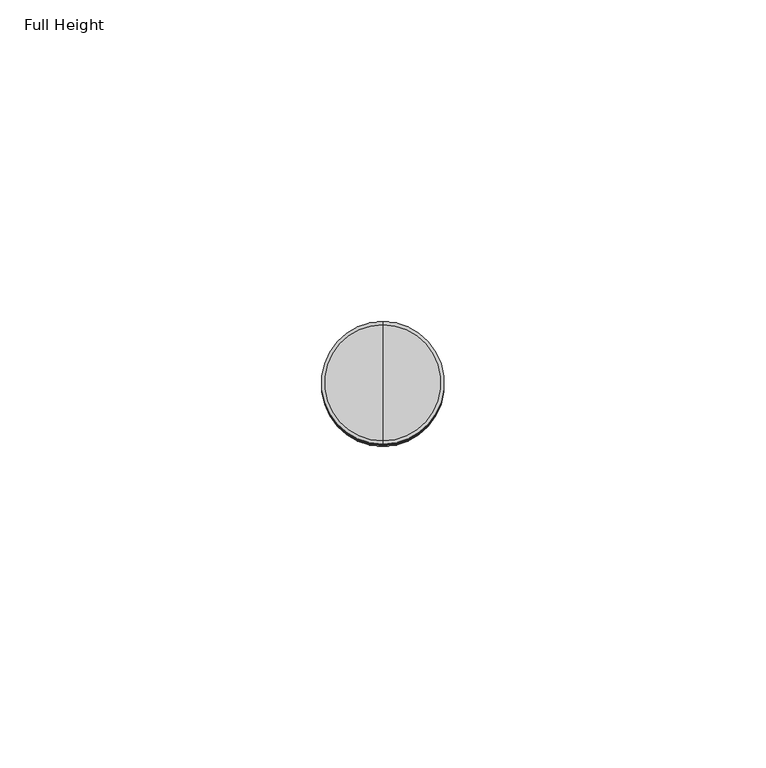
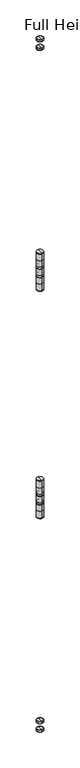
"""IFC4 building model written with IfcOpenShell, lengths in millimetres: plate geometry, Full Height."""

from ifc_helpers import new_model, si_unit, point, frame, origin, place, context, project, spatial, circle_curve, ellipse_curve, trimmed, source, transform, mapped, element, save
from ifc_brep_helpers import plane_surface, cylinder_surface, revolved_surface, advanced_brep


def full_height_8597fcad(model_context):
    return source(origin(), model_context, "Body", "AdvancedBrep", [
        advanced_brep(
        [(-466.3662186, -40.4876, 1784.7733333), (-466.3662186, -50.0126, 1784.7733333), (-466.3662186, -30.9626, 1784.7733333), (-466.3662186, -30.9626, 1805.0933333), (-466.3662186, -50.0126, 1805.0933333), (-466.3662186, -40.4876, 1805.0933333)],
        [
            (0, 1),
            (1, 2, circle_curve(frame((-466.3662186, -40.4876, 1784.7733333), z_axis=(0.0, 0.0, -1.0), x_axis=(0.0, -1.0, 0.0)), 9.525)),
            (2, 0),
            (2, 1, circle_curve(frame((-466.3662186, -40.4876, 1784.7733333), z_axis=(0.0, 0.0, -1.0), x_axis=(0.0, -1.0, 0.0)), 9.525)),
            (3, 4, circle_curve(frame((-466.3662186, -40.4876, 1805.0933333), z_axis=(0.0, 0.0, 1.0), x_axis=(0.0, -1.0, 0.0)), 9.525)),
            (4, 5),
            (5, 3),
            (4, 3, circle_curve(frame((-466.3662186, -40.4876, 1805.0933333), z_axis=(0.0, 0.0, 1.0), x_axis=(0.0, -1.0, 0.0)), 9.525)),
            (1, 4),
            (3, 2),
        ],
        [
            plane_surface(frame((-466.3662186, -40.4876, 1784.7733333), z_axis=(0.0, 0.0, -1.0), x_axis=(0.0, -1.0, 0.0))),
            plane_surface(frame((-466.3662186, -40.4876, 1805.0933333), z_axis=(0.0, 0.0, 1.0), x_axis=(0.0, -1.0, 0.0))),
            cylinder_surface(frame((-466.3662186, -40.4876, 1627.2933333), z_axis=(0.0, 0.0, -1.0), x_axis=(0.0, -1.0, 0.0)), 9.525),
        ],
        [
            (0, [[1, 2, 3]]),
            (0, [[-3, 4, -1]]),
            (1, [[5, 6, 7]]),
            (1, [[8, -7, -6]]),
            (2, [[-2, 9, -5, 10]]),
            (2, [[-4, -10, -8, -9]]),
        ],
    ),
        advanced_brep(
        [(-466.3662186, -30.9626, 1758.6113333), (-466.3662186, -50.0126, 1758.6113333), (-466.3662186, -50.0126, 1763.9453333), (-466.3662186, -30.9626, 1763.9453333), (-466.3662186, -40.4876, 1758.1033333), (-466.3662186, -49.5046, 1758.1033333), (-466.3662186, -31.4706, 1758.1033333), (-466.3662186, -31.4706, 1764.4533333), (-466.3662186, -49.5046, 1764.4533333), (-466.3662186, -40.4876, 1764.4533333)],
        [
            (0, 1, circle_curve(frame((-466.3662186, -40.4876, 1758.6113333), z_axis=(0.0, 0.0, 1.0), x_axis=(0.0, -1.0, 0.0)), 9.525)),
            (1, 2),
            (2, 3, circle_curve(frame((-466.3662186, -40.4876, 1763.9453333), z_axis=(0.0, 0.0, -1.0), x_axis=(0.0, -1.0, 0.0)), 9.525)),
            (3, 0),
            (1, 0, circle_curve(frame((-466.3662186, -40.4876, 1758.6113333), z_axis=(0.0, 0.0, 1.0), x_axis=(0.0, -1.0, 0.0)), 9.525)),
            (3, 2, circle_curve(frame((-466.3662186, -40.4876, 1763.9453333), z_axis=(0.0, 0.0, -1.0), x_axis=(0.0, -1.0, 0.0)), 9.525)),
            (4, 5),
            (5, 6, circle_curve(frame((-466.3662186, -40.4876, 1758.1033333), z_axis=(0.0, 0.0, -1.0), x_axis=(0.0, -1.0, 0.0)), 9.017)),
            (6, 4),
            (6, 5, circle_curve(frame((-466.3662186, -40.4876, 1758.1033333), z_axis=(0.0, 0.0, -1.0), x_axis=(0.0, -1.0, 0.0)), 9.017)),
            (7, 8, circle_curve(frame((-466.3662186, -40.4876, 1764.4533333), z_axis=(0.0, 0.0, 1.0), x_axis=(0.0, -1.0, 0.0)), 9.017)),
            (8, 9),
            (9, 7),
            (8, 7, circle_curve(frame((-466.3662186, -40.4876, 1764.4533333), z_axis=(0.0, 0.0, 1.0), x_axis=(0.0, -1.0, 0.0)), 9.017)),
            (2, 8, circle_curve(frame((-466.3662186, -49.5046, 1763.9453333), z_axis=(-1.0, 0.0, 0.0), x_axis=(0.0, 1.0, 0.0)), 0.508)),
            (7, 3, circle_curve(frame((-466.3662186, -31.4706, 1763.9453333), z_axis=(-1.0, 0.0, 0.0), x_axis=(0.0, -1.0, 0.0)), 0.508)),
            (5, 1, circle_curve(frame((-466.3662186, -49.5046, 1758.6113333), z_axis=(-1.0, 0.0, 0.0), x_axis=(0.0, 1.0, 0.0)), 0.508)),
            (0, 6, circle_curve(frame((-466.3662186, -31.4706, 1758.6113333), z_axis=(-1.0, 0.0, 0.0), x_axis=(0.0, -1.0, 0.0)), 0.508)),
        ],
        [
            cylinder_surface(frame((-466.3662186, -40.4876, 1627.2933333), z_axis=(0.0, 0.0, -1.0), x_axis=(0.0, -1.0, 0.0)), 9.525),
            plane_surface(frame((-466.3662186, -40.4876, 1758.1033333), z_axis=(0.0, 0.0, -1.0), x_axis=(0.0, -1.0, 0.0))),
            plane_surface(frame((-466.3662186, -40.4876, 1764.4533333), z_axis=(0.0, 0.0, 1.0), x_axis=(0.0, -1.0, 0.0))),
            revolved_surface(trimmed(ellipse_curve(frame((-466.3662186, -49.5046, 1763.9453333), z_axis=(1.0, 0.0, 0.0), x_axis=(0.0, 1.0, 0.0)), 0.508, 0.508), [point((-466.3662186, -49.5046, 1764.4533333))], [point((-466.3662186, -50.0126, 1763.9453333))], True, "CARTESIAN"), (-466.3662186, -40.4876, 1627.2933333), (0.0, 0.0, -1.0)),
            revolved_surface(trimmed(ellipse_curve(frame((-466.3662186, -49.5046, 1758.6113333), z_axis=(1.0, 0.0, 0.0), x_axis=(0.0, 1.0, 0.0)), 0.508, 0.508), [point((-466.3662186, -50.0126, 1758.6113333))], [point((-466.3662186, -49.5046, 1758.1033333))], True, "CARTESIAN"), (-466.3662186, -40.4876, 1627.2933333), (0.0, 0.0, -1.0)),
        ],
        [
            (0, [[1, 2, 3, 4]]),
            (0, [[5, -4, 6, -2]]),
            (1, [[7, 8, 9]]),
            (1, [[-9, 10, -7]]),
            (2, [[11, 12, 13]]),
            (2, [[14, -13, -12]]),
            (3, [[-3, 15, -11, 16]]),
            (3, [[-6, -16, -14, -15]]),
            (4, [[-8, 17, -1, 18]]),
            (4, [[-10, -18, -5, -17]]),
        ],
    ),
        advanced_brep(
        [(-466.3662186, -30.9626, 1731.9413333), (-466.3662186, -50.0126, 1731.9413333), (-466.3662186, -50.0126, 1737.2753333), (-466.3662186, -30.9626, 1737.2753333), (-466.3662186, -40.4876, 1731.4333333), (-466.3662186, -49.5046, 1731.4333333), (-466.3662186, -31.4706, 1731.4333333), (-466.3662186, -31.4706, 1737.7833333), (-466.3662186, -49.5046, 1737.7833333), (-466.3662186, -40.4876, 1737.7833333)],
        [
            (0, 1, circle_curve(frame((-466.3662186, -40.4876, 1731.9413333), z_axis=(0.0, 0.0, 1.0), x_axis=(0.0, -1.0, 0.0)), 9.525)),
            (1, 2),
            (2, 3, circle_curve(frame((-466.3662186, -40.4876, 1737.2753333), z_axis=(0.0, 0.0, -1.0), x_axis=(0.0, -1.0, 0.0)), 9.525)),
            (3, 0),
            (1, 0, circle_curve(frame((-466.3662186, -40.4876, 1731.9413333), z_axis=(0.0, 0.0, 1.0), x_axis=(0.0, -1.0, 0.0)), 9.525)),
            (3, 2, circle_curve(frame((-466.3662186, -40.4876, 1737.2753333), z_axis=(0.0, 0.0, -1.0), x_axis=(0.0, -1.0, 0.0)), 9.525)),
            (4, 5),
            (5, 6, circle_curve(frame((-466.3662186, -40.4876, 1731.4333333), z_axis=(0.0, 0.0, -1.0), x_axis=(0.0, -1.0, 0.0)), 9.017)),
            (6, 4),
            (6, 5, circle_curve(frame((-466.3662186, -40.4876, 1731.4333333), z_axis=(0.0, 0.0, -1.0), x_axis=(0.0, -1.0, 0.0)), 9.017)),
            (7, 8, circle_curve(frame((-466.3662186, -40.4876, 1737.7833333), z_axis=(0.0, 0.0, 1.0), x_axis=(0.0, -1.0, 0.0)), 9.017)),
            (8, 9),
            (9, 7),
            (8, 7, circle_curve(frame((-466.3662186, -40.4876, 1737.7833333), z_axis=(0.0, 0.0, 1.0), x_axis=(0.0, -1.0, 0.0)), 9.017)),
            (2, 8, circle_curve(frame((-466.3662186, -49.5046, 1737.2753333), z_axis=(-1.0, 0.0, 0.0), x_axis=(0.0, 1.0, 0.0)), 0.508)),
            (7, 3, circle_curve(frame((-466.3662186, -31.4706, 1737.2753333), z_axis=(-1.0, 0.0, 0.0), x_axis=(0.0, -1.0, 0.0)), 0.508)),
            (5, 1, circle_curve(frame((-466.3662186, -49.5046, 1731.9413333), z_axis=(-1.0, 0.0, 0.0), x_axis=(0.0, 1.0, 0.0)), 0.508)),
            (0, 6, circle_curve(frame((-466.3662186, -31.4706, 1731.9413333), z_axis=(-1.0, 0.0, 0.0), x_axis=(0.0, -1.0, 0.0)), 0.508)),
        ],
        [
            cylinder_surface(frame((-466.3662186, -40.4876, 1627.2933333), z_axis=(0.0, 0.0, -1.0), x_axis=(0.0, -1.0, 0.0)), 9.525),
            plane_surface(frame((-466.3662186, -40.4876, 1731.4333333), z_axis=(0.0, 0.0, -1.0), x_axis=(0.0, -1.0, 0.0))),
            plane_surface(frame((-466.3662186, -40.4876, 1737.7833333), z_axis=(0.0, 0.0, 1.0), x_axis=(0.0, -1.0, 0.0))),
            revolved_surface(trimmed(ellipse_curve(frame((-466.3662186, -49.5046, 1737.2753333), z_axis=(1.0, 0.0, 0.0), x_axis=(0.0, 1.0, 0.0)), 0.508, 0.508), [point((-466.3662186, -49.5046, 1737.7833333))], [point((-466.3662186, -50.0126, 1737.2753333))], True, "CARTESIAN"), (-466.3662186, -40.4876, 1627.2933333), (0.0, 0.0, -1.0)),
            revolved_surface(trimmed(ellipse_curve(frame((-466.3662186, -49.5046, 1731.9413333), z_axis=(1.0, 0.0, 0.0), x_axis=(0.0, 1.0, 0.0)), 0.508, 0.508), [point((-466.3662186, -50.0126, 1731.9413333))], [point((-466.3662186, -49.5046, 1731.4333333))], True, "CARTESIAN"), (-466.3662186, -40.4876, 1627.2933333), (0.0, 0.0, -1.0)),
        ],
        [
            (0, [[1, 2, 3, 4]]),
            (0, [[5, -4, 6, -2]]),
            (1, [[7, 8, 9]]),
            (1, [[-9, 10, -7]]),
            (2, [[11, 12, 13]]),
            (2, [[14, -13, -12]]),
            (3, [[-3, 15, -11, 16]]),
            (3, [[-6, -16, -14, -15]]),
            (4, [[-8, 17, -1, 18]]),
            (4, [[-10, -18, -5, -17]]),
        ],
    ),
        advanced_brep(
        [(-466.3662186, -30.9626, 1690.7933333), (-466.3662186, -50.0126, 1690.7933333), (-466.3662186, -50.0126, 1711.1133333), (-466.3662186, -30.9626, 1711.1133333), (-466.3662186, -40.4876, 1690.7933333), (-466.3662186, -40.4876, 1711.1133333)],
        [
            (0, 1, circle_curve(frame((-466.3662186, -40.4876, 1690.7933333), z_axis=(0.0, 0.0, 1.0), x_axis=(0.0, -1.0, 0.0)), 9.525)),
            (1, 2),
            (2, 3, circle_curve(frame((-466.3662186, -40.4876, 1711.1133333), z_axis=(0.0, 0.0, -1.0), x_axis=(0.0, -1.0, 0.0)), 9.525)),
            (3, 0),
            (1, 0, circle_curve(frame((-466.3662186, -40.4876, 1690.7933333), z_axis=(0.0, 0.0, 1.0), x_axis=(0.0, -1.0, 0.0)), 9.525)),
            (3, 2, circle_curve(frame((-466.3662186, -40.4876, 1711.1133333), z_axis=(0.0, 0.0, -1.0), x_axis=(0.0, -1.0, 0.0)), 9.525)),
            (4, 1),
            (0, 4),
            (2, 5),
            (5, 3),
        ],
        [
            cylinder_surface(frame((-466.3662186, -40.4876, 1627.2933333), z_axis=(0.0, 0.0, -1.0), x_axis=(0.0, -1.0, 0.0)), 9.525),
            plane_surface(frame((-466.3662186, -40.4876, 1690.7933333), z_axis=(0.0, 0.0, -1.0), x_axis=(0.0, -1.0, 0.0))),
            plane_surface(frame((-466.3662186, -40.4876, 1711.1133333), z_axis=(0.0, 0.0, 1.0), x_axis=(0.0, -1.0, 0.0))),
        ],
        [
            (0, [[1, 2, 3, 4]]),
            (0, [[5, -4, 6, -2]]),
            (1, [[7, -1, 8]]),
            (1, [[-8, -5, -7]]),
            (2, [[-3, 9, 10]]),
            (2, [[-6, -10, -9]]),
        ],
    ),
        advanced_brep(
        [(-466.3662186, -30.9626, 1072.7266667), (-466.3662186, -50.0126, 1072.7266667), (-466.3662186, -50.0126, 1093.0466667), (-466.3662186, -30.9626, 1093.0466667), (-466.3662186, -40.4876, 1072.7266667), (-466.3662186, -40.4876, 1093.0466667)],
        [
            (0, 1, circle_curve(frame((-466.3662186, -40.4876, 1072.7266667), z_axis=(0.0, 0.0, 1.0), x_axis=(0.0, -1.0, 0.0)), 9.525)),
            (1, 2),
            (2, 3, circle_curve(frame((-466.3662186, -40.4876, 1093.0466667), z_axis=(0.0, 0.0, -1.0), x_axis=(0.0, -1.0, 0.0)), 9.525)),
            (3, 0),
            (1, 0, circle_curve(frame((-466.3662186, -40.4876, 1072.7266667), z_axis=(0.0, 0.0, 1.0), x_axis=(0.0, -1.0, 0.0)), 9.525)),
            (3, 2, circle_curve(frame((-466.3662186, -40.4876, 1093.0466667), z_axis=(0.0, 0.0, -1.0), x_axis=(0.0, -1.0, 0.0)), 9.525)),
            (4, 1),
            (0, 4),
            (2, 5),
            (5, 3),
        ],
        [
            cylinder_surface(frame((-466.3662186, -40.4876, 1627.2933333), z_axis=(0.0, 0.0, -1.0), x_axis=(0.0, -1.0, 0.0)), 9.525),
            plane_surface(frame((-466.3662186, -40.4876, 1072.7266667), z_axis=(0.0, 0.0, -1.0), x_axis=(0.0, -1.0, 0.0))),
            plane_surface(frame((-466.3662186, -40.4876, 1093.0466667), z_axis=(0.0, 0.0, 1.0), x_axis=(0.0, -1.0, 0.0))),
        ],
        [
            (0, [[1, 2, 3, 4]]),
            (0, [[5, -4, 6, -2]]),
            (1, [[7, -1, 8]]),
            (1, [[-8, -5, -7]]),
            (2, [[-3, 9, 10]]),
            (2, [[-6, -10, -9]]),
        ],
    ),
        advanced_brep(
        [(-466.3662186, -30.9626, 1046.5646667), (-466.3662186, -50.0126, 1046.5646667), (-466.3662186, -50.0126, 1051.8986667), (-466.3662186, -30.9626, 1051.8986667), (-466.3662186, -40.4876, 1046.0566667), (-466.3662186, -49.5046, 1046.0566667), (-466.3662186, -31.4706, 1046.0566667), (-466.3662186, -31.4706, 1052.4066667), (-466.3662186, -49.5046, 1052.4066667), (-466.3662186, -40.4876, 1052.4066667)],
        [
            (0, 1, circle_curve(frame((-466.3662186, -40.4876, 1046.5646667), z_axis=(0.0, 0.0, 1.0), x_axis=(0.0, -1.0, 0.0)), 9.525)),
            (1, 2),
            (2, 3, circle_curve(frame((-466.3662186, -40.4876, 1051.8986667), z_axis=(0.0, 0.0, -1.0), x_axis=(0.0, -1.0, 0.0)), 9.525)),
            (3, 0),
            (1, 0, circle_curve(frame((-466.3662186, -40.4876, 1046.5646667), z_axis=(0.0, 0.0, 1.0), x_axis=(0.0, -1.0, 0.0)), 9.525)),
            (3, 2, circle_curve(frame((-466.3662186, -40.4876, 1051.8986667), z_axis=(0.0, 0.0, -1.0), x_axis=(0.0, -1.0, 0.0)), 9.525)),
            (4, 5),
            (5, 6, circle_curve(frame((-466.3662186, -40.4876, 1046.0566667), z_axis=(0.0, 0.0, -1.0), x_axis=(0.0, -1.0, 0.0)), 9.017)),
            (6, 4),
            (6, 5, circle_curve(frame((-466.3662186, -40.4876, 1046.0566667), z_axis=(0.0, 0.0, -1.0), x_axis=(0.0, -1.0, 0.0)), 9.017)),
            (7, 8, circle_curve(frame((-466.3662186, -40.4876, 1052.4066667), z_axis=(0.0, 0.0, 1.0), x_axis=(0.0, -1.0, 0.0)), 9.017)),
            (8, 9),
            (9, 7),
            (8, 7, circle_curve(frame((-466.3662186, -40.4876, 1052.4066667), z_axis=(0.0, 0.0, 1.0), x_axis=(0.0, -1.0, 0.0)), 9.017)),
            (2, 8, circle_curve(frame((-466.3662186, -49.5046, 1051.8986667), z_axis=(-1.0, 0.0, 0.0), x_axis=(0.0, 1.0, 0.0)), 0.508)),
            (7, 3, circle_curve(frame((-466.3662186, -31.4706, 1051.8986667), z_axis=(-1.0, 0.0, 0.0), x_axis=(0.0, -1.0, 0.0)), 0.508)),
            (5, 1, circle_curve(frame((-466.3662186, -49.5046, 1046.5646667), z_axis=(-1.0, 0.0, 0.0), x_axis=(0.0, 1.0, 0.0)), 0.508)),
            (0, 6, circle_curve(frame((-466.3662186, -31.4706, 1046.5646667), z_axis=(-1.0, 0.0, 0.0), x_axis=(0.0, -1.0, 0.0)), 0.508)),
        ],
        [
            cylinder_surface(frame((-466.3662186, -40.4876, 1627.2933333), z_axis=(0.0, 0.0, -1.0), x_axis=(0.0, -1.0, 0.0)), 9.525),
            plane_surface(frame((-466.3662186, -40.4876, 1046.0566667), z_axis=(0.0, 0.0, -1.0), x_axis=(0.0, -1.0, 0.0))),
            plane_surface(frame((-466.3662186, -40.4876, 1052.4066667), z_axis=(0.0, 0.0, 1.0), x_axis=(0.0, -1.0, 0.0))),
            revolved_surface(trimmed(ellipse_curve(frame((-466.3662186, -49.5046, 1051.8986667), z_axis=(1.0, 0.0, 0.0), x_axis=(0.0, 1.0, 0.0)), 0.508, 0.508), [point((-466.3662186, -49.5046, 1052.4066667))], [point((-466.3662186, -50.0126, 1051.8986667))], True, "CARTESIAN"), (-466.3662186, -40.4876, 1627.2933333), (0.0, 0.0, -1.0)),
            revolved_surface(trimmed(ellipse_curve(frame((-466.3662186, -49.5046, 1046.5646667), z_axis=(1.0, 0.0, 0.0), x_axis=(0.0, 1.0, 0.0)), 0.508, 0.508), [point((-466.3662186, -50.0126, 1046.5646667))], [point((-466.3662186, -49.5046, 1046.0566667))], True, "CARTESIAN"), (-466.3662186, -40.4876, 1627.2933333), (0.0, 0.0, -1.0)),
        ],
        [
            (0, [[1, 2, 3, 4]]),
            (0, [[5, -4, 6, -2]]),
            (1, [[7, 8, 9]]),
            (1, [[-9, 10, -7]]),
            (2, [[11, 12, 13]]),
            (2, [[14, -13, -12]]),
            (3, [[-3, 15, -11, 16]]),
            (3, [[-6, -16, -14, -15]]),
            (4, [[-8, 17, -1, 18]]),
            (4, [[-10, -18, -5, -17]]),
        ],
    ),
        advanced_brep(
        [(-466.3662186, -40.4876, 1019.3866667), (-466.3662186, -49.5046, 1019.3866667), (-466.3662186, -31.4706, 1019.3866667), (-466.3662186, -31.4706, 1025.7366667), (-466.3662186, -49.5046, 1025.7366667), (-466.3662186, -40.4876, 1025.7366667), (-466.3662186, -30.9626, 1019.8946667), (-466.3662186, -50.0126, 1019.8946667), (-466.3662186, -50.0126, 1025.2286667), (-466.3662186, -30.9626, 1025.2286667)],
        [
            (0, 1),
            (1, 2, circle_curve(frame((-466.3662186, -40.4876, 1019.3866667), z_axis=(0.0, 0.0, -1.0), x_axis=(0.0, -1.0, 0.0)), 9.017)),
            (2, 0),
            (2, 1, circle_curve(frame((-466.3662186, -40.4876, 1019.3866667), z_axis=(0.0, 0.0, -1.0), x_axis=(0.0, -1.0, 0.0)), 9.017)),
            (3, 4, circle_curve(frame((-466.3662186, -40.4876, 1025.7366667), z_axis=(0.0, 0.0, 1.0), x_axis=(0.0, -1.0, 0.0)), 9.017)),
            (4, 5),
            (5, 3),
            (4, 3, circle_curve(frame((-466.3662186, -40.4876, 1025.7366667), z_axis=(0.0, 0.0, 1.0), x_axis=(0.0, -1.0, 0.0)), 9.017)),
            (6, 7, circle_curve(frame((-466.3662186, -40.4876, 1019.8946667), z_axis=(0.0, 0.0, 1.0), x_axis=(0.0, -1.0, 0.0)), 9.525)),
            (7, 8),
            (8, 9, circle_curve(frame((-466.3662186, -40.4876, 1025.2286667), z_axis=(0.0, 0.0, -1.0), x_axis=(0.0, -1.0, 0.0)), 9.525)),
            (9, 6),
            (7, 6, circle_curve(frame((-466.3662186, -40.4876, 1019.8946667), z_axis=(0.0, 0.0, 1.0), x_axis=(0.0, -1.0, 0.0)), 9.525)),
            (9, 8, circle_curve(frame((-466.3662186, -40.4876, 1025.2286667), z_axis=(0.0, 0.0, -1.0), x_axis=(0.0, -1.0, 0.0)), 9.525)),
            (8, 4, circle_curve(frame((-466.3662186, -49.5046, 1025.2286667), z_axis=(-1.0, 0.0, 0.0), x_axis=(0.0, 1.0, 0.0)), 0.508)),
            (3, 9, circle_curve(frame((-466.3662186, -31.4706, 1025.2286667), z_axis=(-1.0, 0.0, 0.0), x_axis=(0.0, -1.0, 0.0)), 0.508)),
            (1, 7, circle_curve(frame((-466.3662186, -49.5046, 1019.8946667), z_axis=(-1.0, 0.0, 0.0), x_axis=(0.0, 1.0, 0.0)), 0.508)),
            (6, 2, circle_curve(frame((-466.3662186, -31.4706, 1019.8946667), z_axis=(-1.0, 0.0, 0.0), x_axis=(0.0, -1.0, 0.0)), 0.508)),
        ],
        [
            plane_surface(frame((-466.3662186, -40.4876, 1019.3866667), z_axis=(0.0, 0.0, -1.0), x_axis=(0.0, -1.0, 0.0))),
            plane_surface(frame((-466.3662186, -40.4876, 1025.7366667), z_axis=(0.0, 0.0, 1.0), x_axis=(0.0, -1.0, 0.0))),
            cylinder_surface(frame((-466.3662186, -40.4876, 1627.2933333), z_axis=(0.0, 0.0, -1.0), x_axis=(0.0, -1.0, 0.0)), 9.525),
            revolved_surface(trimmed(ellipse_curve(frame((-466.3662186, -49.5046, 1025.2286667), z_axis=(1.0, 0.0, 0.0), x_axis=(0.0, 1.0, 0.0)), 0.508, 0.508), [point((-466.3662186, -49.5046, 1025.7366667))], [point((-466.3662186, -50.0126, 1025.2286667))], True, "CARTESIAN"), (-466.3662186, -40.4876, 1627.2933333), (0.0, 0.0, -1.0)),
            revolved_surface(trimmed(ellipse_curve(frame((-466.3662186, -49.5046, 1019.8946667), z_axis=(1.0, 0.0, 0.0), x_axis=(0.0, 1.0, 0.0)), 0.508, 0.508), [point((-466.3662186, -50.0126, 1019.8946667))], [point((-466.3662186, -49.5046, 1019.3866667))], True, "CARTESIAN"), (-466.3662186, -40.4876, 1627.2933333), (0.0, 0.0, -1.0)),
        ],
        [
            (0, [[1, 2, 3]]),
            (0, [[-3, 4, -1]]),
            (1, [[5, 6, 7]]),
            (1, [[8, -7, -6]]),
            (2, [[9, 10, 11, 12]]),
            (2, [[13, -12, 14, -10]]),
            (3, [[-11, 15, -5, 16]]),
            (3, [[-14, -16, -8, -15]]),
            (4, [[-2, 17, -9, 18]]),
            (4, [[-4, -18, -13, -17]]),
        ],
    ),
        advanced_brep(
        [(-466.3662186, -30.9626, 978.7466667), (-466.3662186, -50.0126, 978.7466667), (-466.3662186, -50.0126, 999.0666667), (-466.3662186, -30.9626, 999.0666667), (-466.3662186, -40.4876, 978.7466667), (-466.3662186, -40.4876, 999.0666667)],
        [
            (0, 1, circle_curve(frame((-466.3662186, -40.4876, 978.7466667), z_axis=(0.0, 0.0, 1.0), x_axis=(0.0, -1.0, 0.0)), 9.525)),
            (1, 2),
            (2, 3, circle_curve(frame((-466.3662186, -40.4876, 999.0666667), z_axis=(0.0, 0.0, -1.0), x_axis=(0.0, -1.0, 0.0)), 9.525)),
            (3, 0),
            (1, 0, circle_curve(frame((-466.3662186, -40.4876, 978.7466667), z_axis=(0.0, 0.0, 1.0), x_axis=(0.0, -1.0, 0.0)), 9.525)),
            (3, 2, circle_curve(frame((-466.3662186, -40.4876, 999.0666667), z_axis=(0.0, 0.0, -1.0), x_axis=(0.0, -1.0, 0.0)), 9.525)),
            (4, 1),
            (0, 4),
            (2, 5),
            (5, 3),
        ],
        [
            cylinder_surface(frame((-466.3662186, -40.4876, 1627.2933333), z_axis=(0.0, 0.0, -1.0), x_axis=(0.0, -1.0, 0.0)), 9.525),
            plane_surface(frame((-466.3662186, -40.4876, 978.7466667), z_axis=(0.0, 0.0, -1.0), x_axis=(0.0, -1.0, 0.0))),
            plane_surface(frame((-466.3662186, -40.4876, 999.0666667), z_axis=(0.0, 0.0, 1.0), x_axis=(0.0, -1.0, 0.0))),
        ],
        [
            (0, [[1, 2, 3, 4]]),
            (0, [[5, -4, 6, -2]]),
            (1, [[7, -1, 8]]),
            (1, [[-8, -5, -7]]),
            (2, [[-3, 9, 10]]),
            (2, [[-6, -10, -9]]),
        ],
    ),
        advanced_brep(
        [(-466.3662186, -30.9626, 1093.0466667), (-466.3662186, -50.0126, 1093.0466667), (-466.3662186, -50.0126, 1095.0786667), (-466.3662186, -30.9626, 1095.0786667), (-466.3662186, -40.4876, 1093.0466667), (-466.3662186, -40.4876, 1095.0786667)],
        [
            (0, 1, circle_curve(frame((-466.3662186, -40.4876, 1093.0466667), z_axis=(0.0, 0.0, 1.0), x_axis=(0.0, -1.0, 0.0)), 9.525)),
            (1, 2),
            (2, 3, circle_curve(frame((-466.3662186, -40.4876, 1095.0786667), z_axis=(0.0, 0.0, -1.0), x_axis=(0.0, -1.0, 0.0)), 9.525)),
            (3, 0),
            (1, 0, circle_curve(frame((-466.3662186, -40.4876, 1093.0466667), z_axis=(0.0, 0.0, 1.0), x_axis=(0.0, -1.0, 0.0)), 9.525)),
            (3, 2, circle_curve(frame((-466.3662186, -40.4876, 1095.0786667), z_axis=(0.0, 0.0, -1.0), x_axis=(0.0, -1.0, 0.0)), 9.525)),
            (4, 1),
            (0, 4),
            (2, 5),
            (5, 3),
        ],
        [
            cylinder_surface(frame((-466.3662186, -40.4876, 1871.6413333), z_axis=(0.0, 0.0, -1.0), x_axis=(0.0, -1.0, 0.0)), 9.525),
            plane_surface(frame((-466.3662186, -40.4876, 1093.0466667), z_axis=(0.0, 0.0, -1.0), x_axis=(0.0, -1.0, 0.0))),
            plane_surface(frame((-466.3662186, -40.4876, 1095.0786667), z_axis=(0.0, 0.0, 1.0), x_axis=(0.0, -1.0, 0.0))),
        ],
        [
            (0, [[1, 2, 3, 4]]),
            (0, [[5, -4, 6, -2]]),
            (1, [[7, -1, 8]]),
            (1, [[-8, -5, -7]]),
            (2, [[-3, 9, 10]]),
            (2, [[-6, -10, -9]]),
        ],
    ),
        advanced_brep(
        [(-466.3662186, -30.9626, 1052.4066667), (-466.3662186, -50.0126, 1052.4066667), (-466.3662186, -50.0126, 1072.7266667), (-466.3662186, -30.9626, 1072.7266667), (-466.3662186, -40.4876, 1052.4066667), (-466.3662186, -40.4876, 1072.7266667)],
        [
            (0, 1, circle_curve(frame((-466.3662186, -40.4876, 1052.4066667), z_axis=(0.0, 0.0, 1.0), x_axis=(0.0, -1.0, 0.0)), 9.525)),
            (1, 2),
            (2, 3, circle_curve(frame((-466.3662186, -40.4876, 1072.7266667), z_axis=(0.0, 0.0, -1.0), x_axis=(0.0, -1.0, 0.0)), 9.525)),
            (3, 0),
            (1, 0, circle_curve(frame((-466.3662186, -40.4876, 1052.4066667), z_axis=(0.0, 0.0, 1.0), x_axis=(0.0, -1.0, 0.0)), 9.525)),
            (3, 2, circle_curve(frame((-466.3662186, -40.4876, 1072.7266667), z_axis=(0.0, 0.0, -1.0), x_axis=(0.0, -1.0, 0.0)), 9.525)),
            (4, 1),
            (0, 4),
            (2, 5),
            (5, 3),
        ],
        [
            cylinder_surface(frame((-466.3662186, -40.4876, 1871.6413333), z_axis=(0.0, 0.0, -1.0), x_axis=(0.0, -1.0, 0.0)), 9.525),
            plane_surface(frame((-466.3662186, -40.4876, 1052.4066667), z_axis=(0.0, 0.0, -1.0), x_axis=(0.0, -1.0, 0.0))),
            plane_surface(frame((-466.3662186, -40.4876, 1072.7266667), z_axis=(0.0, 0.0, 1.0), x_axis=(0.0, -1.0, 0.0))),
        ],
        [
            (0, [[1, 2, 3, 4]]),
            (0, [[5, -4, 6, -2]]),
            (1, [[7, -1, 8]]),
            (1, [[-8, -5, -7]]),
            (2, [[-3, 9, 10]]),
            (2, [[-6, -10, -9]]),
        ],
    ),
        advanced_brep(
        [(-466.3662186, -30.9626, 1025.7366667), (-466.3662186, -50.0126, 1025.7366667), (-466.3662186, -50.0126, 1046.0566667), (-466.3662186, -30.9626, 1046.0566667), (-466.3662186, -40.4876, 1025.7366667), (-466.3662186, -40.4876, 1046.0566667)],
        [
            (0, 1, circle_curve(frame((-466.3662186, -40.4876, 1025.7366667), z_axis=(0.0, 0.0, 1.0), x_axis=(0.0, -1.0, 0.0)), 9.525)),
            (1, 2),
            (2, 3, circle_curve(frame((-466.3662186, -40.4876, 1046.0566667), z_axis=(0.0, 0.0, -1.0), x_axis=(0.0, -1.0, 0.0)), 9.525)),
            (3, 0),
            (1, 0, circle_curve(frame((-466.3662186, -40.4876, 1025.7366667), z_axis=(0.0, 0.0, 1.0), x_axis=(0.0, -1.0, 0.0)), 9.525)),
            (3, 2, circle_curve(frame((-466.3662186, -40.4876, 1046.0566667), z_axis=(0.0, 0.0, -1.0), x_axis=(0.0, -1.0, 0.0)), 9.525)),
            (4, 1),
            (0, 4),
            (2, 5),
            (5, 3),
        ],
        [
            cylinder_surface(frame((-466.3662186, -40.4876, 1871.6413333), z_axis=(0.0, 0.0, -1.0), x_axis=(0.0, -1.0, 0.0)), 9.525),
            plane_surface(frame((-466.3662186, -40.4876, 1025.7366667), z_axis=(0.0, 0.0, -1.0), x_axis=(0.0, -1.0, 0.0))),
            plane_surface(frame((-466.3662186, -40.4876, 1046.0566667), z_axis=(0.0, 0.0, 1.0), x_axis=(0.0, -1.0, 0.0))),
        ],
        [
            (0, [[1, 2, 3, 4]]),
            (0, [[5, -4, 6, -2]]),
            (1, [[7, -1, 8]]),
            (1, [[-8, -5, -7]]),
            (2, [[-3, 9, 10]]),
            (2, [[-6, -10, -9]]),
        ],
    ),
        advanced_brep(
        [(-466.3662186, -30.9626, 1019.3866667), (-466.3662186, -50.0126, 1019.3866667), (-466.3662186, -40.4876, 1019.3866667), (-466.3662186, -30.9626, 999.0666667), (-466.3662186, -50.0126, 999.0666667), (-466.3662186, -40.4876, 999.0666667)],
        [
            (0, 1, circle_curve(frame((-466.3662186, -40.4876, 1019.3866667), z_axis=(0.0, 0.0, 1.0), x_axis=(0.0, -1.0, 0.0)), 9.525)),
            (1, 2),
            (2, 0),
            (1, 0, circle_curve(frame((-466.3662186, -40.4876, 1019.3866667), z_axis=(0.0, 0.0, 1.0), x_axis=(0.0, -1.0, 0.0)), 9.525)),
            (3, 4, circle_curve(frame((-466.3662186, -40.4876, 999.0666667), z_axis=(0.0, 0.0, 1.0), x_axis=(0.0, -1.0, 0.0)), 9.525)),
            (4, 1),
            (0, 3),
            (4, 3, circle_curve(frame((-466.3662186, -40.4876, 999.0666667), z_axis=(0.0, 0.0, 1.0), x_axis=(0.0, -1.0, 0.0)), 9.525)),
            (5, 4),
            (3, 5),
        ],
        [
            plane_surface(frame((-466.3662186, -40.4876, 1019.3866667), z_axis=(0.0, 0.0, 1.0), x_axis=(0.0, -1.0, 0.0))),
            cylinder_surface(frame((-466.3662186, -40.4876, 1871.6413333), z_axis=(0.0, 0.0, -1.0), x_axis=(0.0, -1.0, 0.0)), 9.525),
            plane_surface(frame((-466.3662186, -40.4876, 999.0666667), z_axis=(0.0, 0.0, -1.0), x_axis=(0.0, -1.0, 0.0))),
        ],
        [
            (0, [[1, 2, 3]]),
            (0, [[4, -3, -2]]),
            (1, [[5, 6, -1, 7]]),
            (1, [[8, -7, -4, -6]]),
            (2, [[9, -5, 10]]),
            (2, [[-10, -8, -9]]),
        ],
    ),
        advanced_brep(
        [(-466.3662186, -30.9626, 976.7146667), (-466.3662186, -50.0126, 976.7146667), (-466.3662186, -50.0126, 978.7466667), (-466.3662186, -30.9626, 978.7466667), (-466.3662186, -40.4876, 976.7146667), (-466.3662186, -40.4876, 978.7466667)],
        [
            (0, 1, circle_curve(frame((-466.3662186, -40.4876, 976.7146667), z_axis=(0.0, 0.0, 1.0), x_axis=(0.0, -1.0, 0.0)), 9.525)),
            (1, 2),
            (2, 3, circle_curve(frame((-466.3662186, -40.4876, 978.7466667), z_axis=(0.0, 0.0, -1.0), x_axis=(0.0, -1.0, 0.0)), 9.525)),
            (3, 0),
            (1, 0, circle_curve(frame((-466.3662186, -40.4876, 976.7146667), z_axis=(0.0, 0.0, 1.0), x_axis=(0.0, -1.0, 0.0)), 9.525)),
            (3, 2, circle_curve(frame((-466.3662186, -40.4876, 978.7466667), z_axis=(0.0, 0.0, -1.0), x_axis=(0.0, -1.0, 0.0)), 9.525)),
            (4, 1),
            (0, 4),
            (2, 5),
            (5, 3),
        ],
        [
            cylinder_surface(frame((-466.3662186, -40.4876, 1871.6413333), z_axis=(0.0, 0.0, -1.0), x_axis=(0.0, -1.0, 0.0)), 9.525),
            plane_surface(frame((-466.3662186, -40.4876, 976.7146667), z_axis=(0.0, 0.0, -1.0), x_axis=(0.0, -1.0, 0.0))),
            plane_surface(frame((-466.3662186, -40.4876, 978.7466667), z_axis=(0.0, 0.0, 1.0), x_axis=(0.0, -1.0, 0.0))),
        ],
        [
            (0, [[1, 2, 3, 4]]),
            (0, [[5, -4, 6, -2]]),
            (1, [[7, -1, 8]]),
            (1, [[-8, -5, -7]]),
            (2, [[-3, 9, 10]]),
            (2, [[-6, -10, -9]]),
        ],
    ),
        advanced_brep(
        [(-466.3662186, -30.9626, 1805.0933333), (-466.3662186, -50.0126, 1805.0933333), (-466.3662186, -50.0126, 1807.1253333), (-466.3662186, -30.9626, 1807.1253333), (-466.3662186, -40.4876, 1805.0933333), (-466.3662186, -40.4876, 1807.1253333)],
        [
            (0, 1, circle_curve(frame((-466.3662186, -40.4876, 1805.0933333), z_axis=(0.0, 0.0, 1.0), x_axis=(0.0, -1.0, 0.0)), 9.525)),
            (1, 2),
            (2, 3, circle_curve(frame((-466.3662186, -40.4876, 1807.1253333), z_axis=(0.0, 0.0, -1.0), x_axis=(0.0, -1.0, 0.0)), 9.525)),
            (3, 0),
            (1, 0, circle_curve(frame((-466.3662186, -40.4876, 1805.0933333), z_axis=(0.0, 0.0, 1.0), x_axis=(0.0, -1.0, 0.0)), 9.525)),
            (3, 2, circle_curve(frame((-466.3662186, -40.4876, 1807.1253333), z_axis=(0.0, 0.0, -1.0), x_axis=(0.0, -1.0, 0.0)), 9.525)),
            (4, 1),
            (0, 4),
            (2, 5),
            (5, 3),
        ],
        [
            cylinder_surface(frame((-466.3662186, -40.4876, 1871.6413333), z_axis=(0.0, 0.0, -1.0), x_axis=(0.0, -1.0, 0.0)), 9.525),
            plane_surface(frame((-466.3662186, -40.4876, 1805.0933333), z_axis=(0.0, 0.0, -1.0), x_axis=(0.0, -1.0, 0.0))),
            plane_surface(frame((-466.3662186, -40.4876, 1807.1253333), z_axis=(0.0, 0.0, 1.0), x_axis=(0.0, -1.0, 0.0))),
        ],
        [
            (0, [[1, 2, 3, 4]]),
            (0, [[5, -4, 6, -2]]),
            (1, [[7, -1, 8]]),
            (1, [[-8, -5, -7]]),
            (2, [[-3, 9, 10]]),
            (2, [[-6, -10, -9]]),
        ],
    ),
        advanced_brep(
        [(-466.3662186, -30.9626, 1764.4533333), (-466.3662186, -50.0126, 1764.4533333), (-466.3662186, -50.0126, 1784.7733333), (-466.3662186, -30.9626, 1784.7733333), (-466.3662186, -40.4876, 1764.4533333), (-466.3662186, -40.4876, 1784.7733333)],
        [
            (0, 1, circle_curve(frame((-466.3662186, -40.4876, 1764.4533333), z_axis=(0.0, 0.0, 1.0), x_axis=(0.0, -1.0, 0.0)), 9.525)),
            (1, 2),
            (2, 3, circle_curve(frame((-466.3662186, -40.4876, 1784.7733333), z_axis=(0.0, 0.0, -1.0), x_axis=(0.0, -1.0, 0.0)), 9.525)),
            (3, 0),
            (1, 0, circle_curve(frame((-466.3662186, -40.4876, 1764.4533333), z_axis=(0.0, 0.0, 1.0), x_axis=(0.0, -1.0, 0.0)), 9.525)),
            (3, 2, circle_curve(frame((-466.3662186, -40.4876, 1784.7733333), z_axis=(0.0, 0.0, -1.0), x_axis=(0.0, -1.0, 0.0)), 9.525)),
            (4, 1),
            (0, 4),
            (2, 5),
            (5, 3),
        ],
        [
            cylinder_surface(frame((-466.3662186, -40.4876, 1871.6413333), z_axis=(0.0, 0.0, -1.0), x_axis=(0.0, -1.0, 0.0)), 9.525),
            plane_surface(frame((-466.3662186, -40.4876, 1764.4533333), z_axis=(0.0, 0.0, -1.0), x_axis=(0.0, -1.0, 0.0))),
            plane_surface(frame((-466.3662186, -40.4876, 1784.7733333), z_axis=(0.0, 0.0, 1.0), x_axis=(0.0, -1.0, 0.0))),
        ],
        [
            (0, [[1, 2, 3, 4]]),
            (0, [[5, -4, 6, -2]]),
            (1, [[7, -1, 8]]),
            (1, [[-8, -5, -7]]),
            (2, [[-3, 9, 10]]),
            (2, [[-6, -10, -9]]),
        ],
    ),
        advanced_brep(
        [(-466.3662186, -30.9626, 1737.7833333), (-466.3662186, -50.0126, 1737.7833333), (-466.3662186, -50.0126, 1758.1033333), (-466.3662186, -30.9626, 1758.1033333), (-466.3662186, -40.4876, 1737.7833333), (-466.3662186, -40.4876, 1758.1033333)],
        [
            (0, 1, circle_curve(frame((-466.3662186, -40.4876, 1737.7833333), z_axis=(0.0, 0.0, 1.0), x_axis=(0.0, -1.0, 0.0)), 9.525)),
            (1, 2),
            (2, 3, circle_curve(frame((-466.3662186, -40.4876, 1758.1033333), z_axis=(0.0, 0.0, -1.0), x_axis=(0.0, -1.0, 0.0)), 9.525)),
            (3, 0),
            (1, 0, circle_curve(frame((-466.3662186, -40.4876, 1737.7833333), z_axis=(0.0, 0.0, 1.0), x_axis=(0.0, -1.0, 0.0)), 9.525)),
            (3, 2, circle_curve(frame((-466.3662186, -40.4876, 1758.1033333), z_axis=(0.0, 0.0, -1.0), x_axis=(0.0, -1.0, 0.0)), 9.525)),
            (4, 1),
            (0, 4),
            (2, 5),
            (5, 3),
        ],
        [
            cylinder_surface(frame((-466.3662186, -40.4876, 1871.6413333), z_axis=(0.0, 0.0, -1.0), x_axis=(0.0, -1.0, 0.0)), 9.525),
            plane_surface(frame((-466.3662186, -40.4876, 1737.7833333), z_axis=(0.0, 0.0, -1.0), x_axis=(0.0, -1.0, 0.0))),
            plane_surface(frame((-466.3662186, -40.4876, 1758.1033333), z_axis=(0.0, 0.0, 1.0), x_axis=(0.0, -1.0, 0.0))),
        ],
        [
            (0, [[1, 2, 3, 4]]),
            (0, [[5, -4, 6, -2]]),
            (1, [[7, -1, 8]]),
            (1, [[-8, -5, -7]]),
            (2, [[-3, 9, 10]]),
            (2, [[-6, -10, -9]]),
        ],
    ),
        advanced_brep(
        [(-466.3662186, -30.9626, 1711.1133333), (-466.3662186, -50.0126, 1711.1133333), (-466.3662186, -50.0126, 1731.4333333), (-466.3662186, -30.9626, 1731.4333333), (-466.3662186, -40.4876, 1711.1133333), (-466.3662186, -40.4876, 1731.4333333)],
        [
            (0, 1, circle_curve(frame((-466.3662186, -40.4876, 1711.1133333), z_axis=(0.0, 0.0, 1.0), x_axis=(0.0, -1.0, 0.0)), 9.525)),
            (1, 2),
            (2, 3, circle_curve(frame((-466.3662186, -40.4876, 1731.4333333), z_axis=(0.0, 0.0, -1.0), x_axis=(0.0, -1.0, 0.0)), 9.525)),
            (3, 0),
            (1, 0, circle_curve(frame((-466.3662186, -40.4876, 1711.1133333), z_axis=(0.0, 0.0, 1.0), x_axis=(0.0, -1.0, 0.0)), 9.525)),
            (3, 2, circle_curve(frame((-466.3662186, -40.4876, 1731.4333333), z_axis=(0.0, 0.0, -1.0), x_axis=(0.0, -1.0, 0.0)), 9.525)),
            (4, 1),
            (0, 4),
            (2, 5),
            (5, 3),
        ],
        [
            cylinder_surface(frame((-466.3662186, -40.4876, 1871.6413333), z_axis=(0.0, 0.0, -1.0), x_axis=(0.0, -1.0, 0.0)), 9.525),
            plane_surface(frame((-466.3662186, -40.4876, 1711.1133333), z_axis=(0.0, 0.0, -1.0), x_axis=(0.0, -1.0, 0.0))),
            plane_surface(frame((-466.3662186, -40.4876, 1731.4333333), z_axis=(0.0, 0.0, 1.0), x_axis=(0.0, -1.0, 0.0))),
        ],
        [
            (0, [[1, 2, 3, 4]]),
            (0, [[5, -4, 6, -2]]),
            (1, [[7, -1, 8]]),
            (1, [[-8, -5, -7]]),
            (2, [[-3, 9, 10]]),
            (2, [[-6, -10, -9]]),
        ],
    ),
        advanced_brep(
        [(-466.3662186, -40.4876, 1688.7613333), (-466.3662186, -50.0126, 1688.7613333), (-466.3662186, -30.9626, 1688.7613333), (-466.3662186, -30.9626, 1690.7933333), (-466.3662186, -50.0126, 1690.7933333), (-466.3662186, -40.4876, 1690.7933333)],
        [
            (0, 1),
            (1, 2, circle_curve(frame((-466.3662186, -40.4876, 1688.7613333), z_axis=(0.0, 0.0, -1.0), x_axis=(0.0, -1.0, 0.0)), 9.525)),
            (2, 0),
            (2, 1, circle_curve(frame((-466.3662186, -40.4876, 1688.7613333), z_axis=(0.0, 0.0, -1.0), x_axis=(0.0, -1.0, 0.0)), 9.525)),
            (3, 4, circle_curve(frame((-466.3662186, -40.4876, 1690.7933333), z_axis=(0.0, 0.0, 1.0), x_axis=(0.0, -1.0, 0.0)), 9.525)),
            (4, 5),
            (5, 3),
            (4, 3, circle_curve(frame((-466.3662186, -40.4876, 1690.7933333), z_axis=(0.0, 0.0, 1.0), x_axis=(0.0, -1.0, 0.0)), 9.525)),
            (1, 4),
            (3, 2),
        ],
        [
            plane_surface(frame((-466.3662186, -40.4876, 1688.7613333), z_axis=(0.0, 0.0, -1.0), x_axis=(0.0, -1.0, 0.0))),
            plane_surface(frame((-466.3662186, -40.4876, 1690.7933333), z_axis=(0.0, 0.0, 1.0), x_axis=(0.0, -1.0, 0.0))),
            cylinder_surface(frame((-466.3662186, -40.4876, 1871.6413333), z_axis=(0.0, 0.0, -1.0), x_axis=(0.0, -1.0, 0.0)), 9.525),
        ],
        [
            (0, [[1, 2, 3]]),
            (0, [[-3, 4, -1]]),
            (1, [[5, 6, 7]]),
            (1, [[8, -7, -6]]),
            (2, [[-2, 9, -5, 10]]),
            (2, [[-4, -10, -8, -9]]),
        ],
    ),
        advanced_brep(
        [(-466.3662186, -30.9626, 334.518), (-466.3662186, -50.0126, 334.518), (-466.3662186, -50.0126, 339.852), (-466.3662186, -30.9626, 339.852), (-466.3662186, -40.4876, 334.01), (-466.3662186, -49.5046, 334.01), (-466.3662186, -31.4706, 334.01), (-466.3662186, -31.4706, 340.36), (-466.3662186, -49.5046, 340.36), (-466.3662186, -40.4876, 340.36)],
        [
            (0, 1, circle_curve(frame((-466.3662186, -40.4876, 334.518), z_axis=(0.0, 0.0, 1.0), x_axis=(0.0, -1.0, 0.0)), 9.525)),
            (1, 2),
            (2, 3, circle_curve(frame((-466.3662186, -40.4876, 339.852), z_axis=(0.0, 0.0, -1.0), x_axis=(0.0, -1.0, 0.0)), 9.525)),
            (3, 0),
            (1, 0, circle_curve(frame((-466.3662186, -40.4876, 334.518), z_axis=(0.0, 0.0, 1.0), x_axis=(0.0, -1.0, 0.0)), 9.525)),
            (3, 2, circle_curve(frame((-466.3662186, -40.4876, 339.852), z_axis=(0.0, 0.0, -1.0), x_axis=(0.0, -1.0, 0.0)), 9.525)),
            (4, 5),
            (5, 6, circle_curve(frame((-466.3662186, -40.4876, 334.01), z_axis=(0.0, 0.0, -1.0), x_axis=(0.0, -1.0, 0.0)), 9.017)),
            (6, 4),
            (6, 5, circle_curve(frame((-466.3662186, -40.4876, 334.01), z_axis=(0.0, 0.0, -1.0), x_axis=(0.0, -1.0, 0.0)), 9.017)),
            (7, 8, circle_curve(frame((-466.3662186, -40.4876, 340.36), z_axis=(0.0, 0.0, 1.0), x_axis=(0.0, -1.0, 0.0)), 9.017)),
            (8, 9),
            (9, 7),
            (8, 7, circle_curve(frame((-466.3662186, -40.4876, 340.36), z_axis=(0.0, 0.0, 1.0), x_axis=(0.0, -1.0, 0.0)), 9.017)),
            (2, 8, circle_curve(frame((-466.3662186, -49.5046, 339.852), z_axis=(-1.0, 0.0, 0.0), x_axis=(0.0, 1.0, 0.0)), 0.508)),
            (7, 3, circle_curve(frame((-466.3662186, -31.4706, 339.852), z_axis=(-1.0, 0.0, 0.0), x_axis=(0.0, -1.0, 0.0)), 0.508)),
            (5, 1, circle_curve(frame((-466.3662186, -49.5046, 334.518), z_axis=(-1.0, 0.0, 0.0), x_axis=(0.0, 1.0, 0.0)), 0.508)),
            (0, 6, circle_curve(frame((-466.3662186, -31.4706, 334.518), z_axis=(-1.0, 0.0, 0.0), x_axis=(0.0, -1.0, 0.0)), 0.508)),
        ],
        [
            cylinder_surface(frame((-466.3662186, -40.4876, 2533.65), z_axis=(0.0, 0.0, -1.0), x_axis=(0.0, -1.0, 0.0)), 9.525),
            plane_surface(frame((-466.3662186, -40.4876, 334.01), z_axis=(0.0, 0.0, -1.0), x_axis=(0.0, -1.0, 0.0))),
            plane_surface(frame((-466.3662186, -40.4876, 340.36), z_axis=(0.0, 0.0, 1.0), x_axis=(0.0, -1.0, 0.0))),
            revolved_surface(trimmed(ellipse_curve(frame((-466.3662186, -49.5046, 339.852), z_axis=(1.0, 0.0, 0.0), x_axis=(0.0, 1.0, 0.0)), 0.508, 0.508), [point((-466.3662186, -49.5046, 340.36))], [point((-466.3662186, -50.0126, 339.852))], True, "CARTESIAN"), (-466.3662186, -40.4876, 2533.65), (0.0, 0.0, -1.0)),
            revolved_surface(trimmed(ellipse_curve(frame((-466.3662186, -49.5046, 334.518), z_axis=(1.0, 0.0, 0.0), x_axis=(0.0, 1.0, 0.0)), 0.508, 0.508), [point((-466.3662186, -50.0126, 334.518))], [point((-466.3662186, -49.5046, 334.01))], True, "CARTESIAN"), (-466.3662186, -40.4876, 2533.65), (0.0, 0.0, -1.0)),
        ],
        [
            (0, [[1, 2, 3, 4]]),
            (0, [[5, -4, 6, -2]]),
            (1, [[7, 8, 9]]),
            (1, [[-9, 10, -7]]),
            (2, [[11, 12, 13]]),
            (2, [[14, -13, -12]]),
            (3, [[-3, 15, -11, 16]]),
            (3, [[-6, -16, -14, -15]]),
            (4, [[-8, 17, -1, 18]]),
            (4, [[-10, -18, -5, -17]]),
        ],
    ),
        advanced_brep(
        [(-466.3662186, -30.9626, 307.848), (-466.3662186, -50.0126, 307.848), (-466.3662186, -50.0126, 313.182), (-466.3662186, -30.9626, 313.182), (-466.3662186, -40.4876, 307.34), (-466.3662186, -49.5046, 307.34), (-466.3662186, -31.4706, 307.34), (-466.3662186, -31.4706, 313.69), (-466.3662186, -49.5046, 313.69), (-466.3662186, -40.4876, 313.69)],
        [
            (0, 1, circle_curve(frame((-466.3662186, -40.4876, 307.848), z_axis=(0.0, 0.0, 1.0), x_axis=(0.0, -1.0, 0.0)), 9.525)),
            (1, 2),
            (2, 3, circle_curve(frame((-466.3662186, -40.4876, 313.182), z_axis=(0.0, 0.0, -1.0), x_axis=(0.0, -1.0, 0.0)), 9.525)),
            (3, 0),
            (1, 0, circle_curve(frame((-466.3662186, -40.4876, 307.848), z_axis=(0.0, 0.0, 1.0), x_axis=(0.0, -1.0, 0.0)), 9.525)),
            (3, 2, circle_curve(frame((-466.3662186, -40.4876, 313.182), z_axis=(0.0, 0.0, -1.0), x_axis=(0.0, -1.0, 0.0)), 9.525)),
            (4, 5),
            (5, 6, circle_curve(frame((-466.3662186, -40.4876, 307.34), z_axis=(0.0, 0.0, -1.0), x_axis=(0.0, -1.0, 0.0)), 9.017)),
            (6, 4),
            (6, 5, circle_curve(frame((-466.3662186, -40.4876, 307.34), z_axis=(0.0, 0.0, -1.0), x_axis=(0.0, -1.0, 0.0)), 9.017)),
            (7, 8, circle_curve(frame((-466.3662186, -40.4876, 313.69), z_axis=(0.0, 0.0, 1.0), x_axis=(0.0, -1.0, 0.0)), 9.017)),
            (8, 9),
            (9, 7),
            (8, 7, circle_curve(frame((-466.3662186, -40.4876, 313.69), z_axis=(0.0, 0.0, 1.0), x_axis=(0.0, -1.0, 0.0)), 9.017)),
            (2, 8, circle_curve(frame((-466.3662186, -49.5046, 313.182), z_axis=(-1.0, 0.0, 0.0), x_axis=(0.0, 1.0, 0.0)), 0.508)),
            (7, 3, circle_curve(frame((-466.3662186, -31.4706, 313.182), z_axis=(-1.0, 0.0, 0.0), x_axis=(0.0, -1.0, 0.0)), 0.508)),
            (5, 1, circle_curve(frame((-466.3662186, -49.5046, 307.848), z_axis=(-1.0, 0.0, 0.0), x_axis=(0.0, 1.0, 0.0)), 0.508)),
            (0, 6, circle_curve(frame((-466.3662186, -31.4706, 307.848), z_axis=(-1.0, 0.0, 0.0), x_axis=(0.0, -1.0, 0.0)), 0.508)),
        ],
        [
            cylinder_surface(frame((-466.3662186, -40.4876, 2533.65), z_axis=(0.0, 0.0, -1.0), x_axis=(0.0, -1.0, 0.0)), 9.525),
            plane_surface(frame((-466.3662186, -40.4876, 307.34), z_axis=(0.0, 0.0, -1.0), x_axis=(0.0, -1.0, 0.0))),
            plane_surface(frame((-466.3662186, -40.4876, 313.69), z_axis=(0.0, 0.0, 1.0), x_axis=(0.0, -1.0, 0.0))),
            revolved_surface(trimmed(ellipse_curve(frame((-466.3662186, -49.5046, 313.182), z_axis=(1.0, 0.0, 0.0), x_axis=(0.0, 1.0, 0.0)), 0.508, 0.508), [point((-466.3662186, -49.5046, 313.69))], [point((-466.3662186, -50.0126, 313.182))], True, "CARTESIAN"), (-466.3662186, -40.4876, 2533.65), (0.0, 0.0, -1.0)),
            revolved_surface(trimmed(ellipse_curve(frame((-466.3662186, -49.5046, 307.848), z_axis=(1.0, 0.0, 0.0), x_axis=(0.0, 1.0, 0.0)), 0.508, 0.508), [point((-466.3662186, -50.0126, 307.848))], [point((-466.3662186, -49.5046, 307.34))], True, "CARTESIAN"), (-466.3662186, -40.4876, 2533.65), (0.0, 0.0, -1.0)),
        ],
        [
            (0, [[1, 2, 3, 4]]),
            (0, [[5, -4, 6, -2]]),
            (1, [[7, 8, 9]]),
            (1, [[-9, 10, -7]]),
            (2, [[11, 12, 13]]),
            (2, [[14, -13, -12]]),
            (3, [[-3, 15, -11, 16]]),
            (3, [[-6, -16, -14, -15]]),
            (4, [[-8, 17, -1, 18]]),
            (4, [[-10, -18, -5, -17]]),
        ],
    ),
        advanced_brep(
        [(-466.3662186, -30.9626, 2470.658), (-466.3662186, -50.0126, 2470.658), (-466.3662186, -50.0126, 2475.992), (-466.3662186, -30.9626, 2475.992), (-466.3662186, -40.4876, 2470.15), (-466.3662186, -49.5046, 2470.15), (-466.3662186, -31.4706, 2470.15), (-466.3662186, -31.4706, 2476.5), (-466.3662186, -49.5046, 2476.5), (-466.3662186, -40.4876, 2476.5)],
        [
            (0, 1, circle_curve(frame((-466.3662186, -40.4876, 2470.658), z_axis=(0.0, 0.0, 1.0), x_axis=(0.0, -1.0, 0.0)), 9.525)),
            (1, 2),
            (2, 3, circle_curve(frame((-466.3662186, -40.4876, 2475.992), z_axis=(0.0, 0.0, -1.0), x_axis=(0.0, -1.0, 0.0)), 9.525)),
            (3, 0),
            (1, 0, circle_curve(frame((-466.3662186, -40.4876, 2470.658), z_axis=(0.0, 0.0, 1.0), x_axis=(0.0, -1.0, 0.0)), 9.525)),
            (3, 2, circle_curve(frame((-466.3662186, -40.4876, 2475.992), z_axis=(0.0, 0.0, -1.0), x_axis=(0.0, -1.0, 0.0)), 9.525)),
            (4, 5),
            (5, 6, circle_curve(frame((-466.3662186, -40.4876, 2470.15), z_axis=(0.0, 0.0, -1.0), x_axis=(0.0, -1.0, 0.0)), 9.017)),
            (6, 4),
            (6, 5, circle_curve(frame((-466.3662186, -40.4876, 2470.15), z_axis=(0.0, 0.0, -1.0), x_axis=(0.0, -1.0, 0.0)), 9.017)),
            (7, 8, circle_curve(frame((-466.3662186, -40.4876, 2476.5), z_axis=(0.0, 0.0, 1.0), x_axis=(0.0, -1.0, 0.0)), 9.017)),
            (8, 9),
            (9, 7),
            (8, 7, circle_curve(frame((-466.3662186, -40.4876, 2476.5), z_axis=(0.0, 0.0, 1.0), x_axis=(0.0, -1.0, 0.0)), 9.017)),
            (2, 8, circle_curve(frame((-466.3662186, -49.5046, 2475.992), z_axis=(-1.0, 0.0, 0.0), x_axis=(0.0, 1.0, 0.0)), 0.508)),
            (7, 3, circle_curve(frame((-466.3662186, -31.4706, 2475.992), z_axis=(-1.0, 0.0, 0.0), x_axis=(0.0, -1.0, 0.0)), 0.508)),
            (5, 1, circle_curve(frame((-466.3662186, -49.5046, 2470.658), z_axis=(-1.0, 0.0, 0.0), x_axis=(0.0, 1.0, 0.0)), 0.508)),
            (0, 6, circle_curve(frame((-466.3662186, -31.4706, 2470.658), z_axis=(-1.0, 0.0, 0.0), x_axis=(0.0, -1.0, 0.0)), 0.508)),
        ],
        [
            cylinder_surface(frame((-466.3662186, -40.4876, 2533.65), z_axis=(0.0, 0.0, -1.0), x_axis=(0.0, -1.0, 0.0)), 9.525),
            plane_surface(frame((-466.3662186, -40.4876, 2470.15), z_axis=(0.0, 0.0, -1.0), x_axis=(0.0, -1.0, 0.0))),
            plane_surface(frame((-466.3662186, -40.4876, 2476.5), z_axis=(0.0, 0.0, 1.0), x_axis=(0.0, -1.0, 0.0))),
            revolved_surface(trimmed(ellipse_curve(frame((-466.3662186, -49.5046, 2475.992), z_axis=(1.0, 0.0, 0.0), x_axis=(0.0, 1.0, 0.0)), 0.508, 0.508), [point((-466.3662186, -49.5046, 2476.5))], [point((-466.3662186, -50.0126, 2475.992))], True, "CARTESIAN"), (-466.3662186, -40.4876, 2533.65), (0.0, 0.0, -1.0)),
            revolved_surface(trimmed(ellipse_curve(frame((-466.3662186, -49.5046, 2470.658), z_axis=(1.0, 0.0, 0.0), x_axis=(0.0, 1.0, 0.0)), 0.508, 0.508), [point((-466.3662186, -50.0126, 2470.658))], [point((-466.3662186, -49.5046, 2470.15))], True, "CARTESIAN"), (-466.3662186, -40.4876, 2533.65), (0.0, 0.0, -1.0)),
        ],
        [
            (0, [[1, 2, 3, 4]]),
            (0, [[5, -4, 6, -2]]),
            (1, [[7, 8, 9]]),
            (1, [[-9, 10, -7]]),
            (2, [[11, 12, 13]]),
            (2, [[14, -13, -12]]),
            (3, [[-3, 15, -11, 16]]),
            (3, [[-6, -16, -14, -15]]),
            (4, [[-8, 17, -1, 18]]),
            (4, [[-10, -18, -5, -17]]),
        ],
    ),
        advanced_brep(
        [(-466.3662186, -30.9626, 2443.988), (-466.3662186, -50.0126, 2443.988), (-466.3662186, -50.0126, 2449.322), (-466.3662186, -30.9626, 2449.322), (-466.3662186, -40.4876, 2443.48), (-466.3662186, -49.5046, 2443.48), (-466.3662186, -31.4706, 2443.48), (-466.3662186, -31.4706, 2449.83), (-466.3662186, -49.5046, 2449.83), (-466.3662186, -40.4876, 2449.83)],
        [
            (0, 1, circle_curve(frame((-466.3662186, -40.4876, 2443.988), z_axis=(0.0, 0.0, 1.0), x_axis=(0.0, -1.0, 0.0)), 9.525)),
            (1, 2),
            (2, 3, circle_curve(frame((-466.3662186, -40.4876, 2449.322), z_axis=(0.0, 0.0, -1.0), x_axis=(0.0, -1.0, 0.0)), 9.525)),
            (3, 0),
            (1, 0, circle_curve(frame((-466.3662186, -40.4876, 2443.988), z_axis=(0.0, 0.0, 1.0), x_axis=(0.0, -1.0, 0.0)), 9.525)),
            (3, 2, circle_curve(frame((-466.3662186, -40.4876, 2449.322), z_axis=(0.0, 0.0, -1.0), x_axis=(0.0, -1.0, 0.0)), 9.525)),
            (4, 5),
            (5, 6, circle_curve(frame((-466.3662186, -40.4876, 2443.48), z_axis=(0.0, 0.0, -1.0), x_axis=(0.0, -1.0, 0.0)), 9.017)),
            (6, 4),
            (6, 5, circle_curve(frame((-466.3662186, -40.4876, 2443.48), z_axis=(0.0, 0.0, -1.0), x_axis=(0.0, -1.0, 0.0)), 9.017)),
            (7, 8, circle_curve(frame((-466.3662186, -40.4876, 2449.83), z_axis=(0.0, 0.0, 1.0), x_axis=(0.0, -1.0, 0.0)), 9.017)),
            (8, 9),
            (9, 7),
            (8, 7, circle_curve(frame((-466.3662186, -40.4876, 2449.83), z_axis=(0.0, 0.0, 1.0), x_axis=(0.0, -1.0, 0.0)), 9.017)),
            (2, 8, circle_curve(frame((-466.3662186, -49.5046, 2449.322), z_axis=(-1.0, 0.0, 0.0), x_axis=(0.0, 1.0, 0.0)), 0.508)),
            (7, 3, circle_curve(frame((-466.3662186, -31.4706, 2449.322), z_axis=(-1.0, 0.0, 0.0), x_axis=(0.0, -1.0, 0.0)), 0.508)),
            (5, 1, circle_curve(frame((-466.3662186, -49.5046, 2443.988), z_axis=(-1.0, 0.0, 0.0), x_axis=(0.0, 1.0, 0.0)), 0.508)),
            (0, 6, circle_curve(frame((-466.3662186, -31.4706, 2443.988), z_axis=(-1.0, 0.0, 0.0), x_axis=(0.0, -1.0, 0.0)), 0.508)),
        ],
        [
            cylinder_surface(frame((-466.3662186, -40.4876, 2533.65), z_axis=(0.0, 0.0, -1.0), x_axis=(0.0, -1.0, 0.0)), 9.525),
            plane_surface(frame((-466.3662186, -40.4876, 2443.48), z_axis=(0.0, 0.0, -1.0), x_axis=(0.0, -1.0, 0.0))),
            plane_surface(frame((-466.3662186, -40.4876, 2449.83), z_axis=(0.0, 0.0, 1.0), x_axis=(0.0, -1.0, 0.0))),
            revolved_surface(trimmed(ellipse_curve(frame((-466.3662186, -49.5046, 2449.322), z_axis=(1.0, 0.0, 0.0), x_axis=(0.0, 1.0, 0.0)), 0.508, 0.508), [point((-466.3662186, -49.5046, 2449.83))], [point((-466.3662186, -50.0126, 2449.322))], True, "CARTESIAN"), (-466.3662186, -40.4876, 2533.65), (0.0, 0.0, -1.0)),
            revolved_surface(trimmed(ellipse_curve(frame((-466.3662186, -49.5046, 2443.988), z_axis=(1.0, 0.0, 0.0), x_axis=(0.0, 1.0, 0.0)), 0.508, 0.508), [point((-466.3662186, -50.0126, 2443.988))], [point((-466.3662186, -49.5046, 2443.48))], True, "CARTESIAN"), (-466.3662186, -40.4876, 2533.65), (0.0, 0.0, -1.0)),
        ],
        [
            (0, [[1, 2, 3, 4]]),
            (0, [[5, -4, 6, -2]]),
            (1, [[7, 8, 9]]),
            (1, [[-9, 10, -7]]),
            (2, [[11, 12, 13]]),
            (2, [[14, -13, -12]]),
            (3, [[-3, 15, -11, 16]]),
            (3, [[-6, -16, -14, -15]]),
            (4, [[-8, 17, -1, 18]]),
            (4, [[-10, -18, -5, -17]]),
        ],
    ),
    ])


if __name__ == "__main__":
    model = new_model("IFC4")
    model_context = context("Model", 3, world=origin())
    ifc_project = project(units=[si_unit("LENGTHUNIT", "METRE", prefix="MILLI")], contexts=[model_context])
    site = spatial("IfcSite", under=ifc_project)
    building = spatial("IfcBuilding", under=site)
    placement = place(None, origin())
    full_height_shape = full_height_8597fcad(model_context)
    element("IfcPlate", 1, ObjectType="Full Height", at=placement, inside=building, context=model_context, shape_type="MappedRepresentation", body=[
        mapped(full_height_shape, transform((0.0, 0.0, 0.0), x_axis=(1.0, 0.0, 0.0), y_axis=(0.0, 1.0, 0.0), z_axis=(0.0, 0.0, 1.0))),
    ])
    save(model, "model.ifc")
